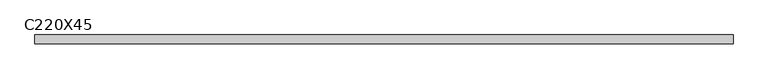
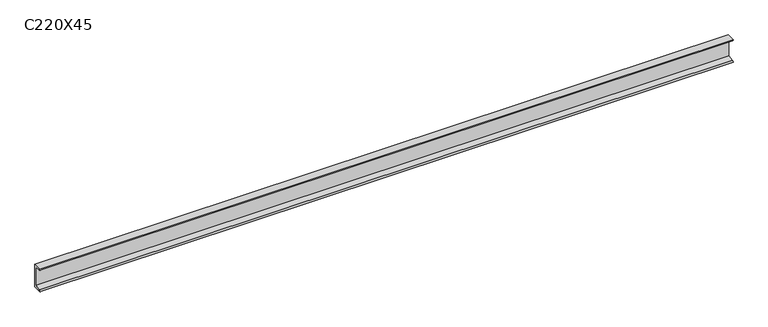
"""IFC4 building model written with IfcOpenShell, lengths in millimetres: beam geometry, C220X45."""

import ifcopenshell
import ifcopenshell.guid

model = None  # the IFC model being written
_history = None  # IfcOwnerHistory: only IFC2X3 demands one
_inside = {}  # id of a spatial element -> (the spatial element, [elements in it])
_under = {}  # id of a project, library or spatial element -> (it, [spatial elements below it])
_declared = {}  # id of a project -> (the project, [libraries it declares])
_typed = {}  # id of a type object -> (the type object, [elements of that type])
_made_of = {}  # id of a material, layer set ... -> (it, [elements and type objects made of it])


def new_model(schema):
    """Start an empty IFC model of exactly this schema.

    Asked for "IFC4X3", IfcOpenShell would pick the latest addendum, in which some entities
    have other attributes; the version numbers below select the first issue.
    IFC2X3 requires an IfcOwnerHistory on every rooted entity: one is made here for all.
    """
    global model, _history
    if schema == "IFC4X3":
        model = ifcopenshell.file(schema_version=(4, 3, 0, 0))
    else:
        model = ifcopenshell.file(schema=schema)
    _inside.clear()
    _under.clear()
    _declared.clear()
    _typed.clear()
    _made_of.clear()
    _history = None
    if model.schema == "IFC2X3":
        org = make("IfcOrganization", Name="unknown")
        user = make(
            "IfcPersonAndOrganization",
            ThePerson=make("IfcPerson", FamilyName="unknown"),
            TheOrganization=org,
        )
        app = make(
            "IfcApplication",
            ApplicationDeveloper=org,
            Version="unknown",
            ApplicationFullName="unknown",
            ApplicationIdentifier="unknown",
        )
        _history = make(
            "IfcOwnerHistory",
            OwningUser=user,
            OwningApplication=app,
            ChangeAction="ADDED",
            CreationDate=0,
        )
    return model


def make(cls, **values):
    """One entity of the class cls with the attributes given. An attribute that is None is left unset."""
    return model.create_entity(
        cls, **{name: value for name, value in values.items() if value is not None}
    )


def rooted(cls, **values):
    """An entity with a GlobalId (a new one), such as an element, a storey or a relation."""
    return make(cls, GlobalId=ifcopenshell.guid.new(), OwnerHistory=_history, **values)


def si_unit(unit_type, name, prefix=None):
    """IfcSIUnit, for example si_unit("LENGTHUNIT", "METRE", prefix="MILLI")."""
    return make("IfcSIUnit", UnitType=unit_type, Prefix=prefix, Name=name)


def assignment(units):
    """IfcUnitAssignment: the units of a project."""
    return None if units is None else make("IfcUnitAssignment", Units=units)


def point(xyz):
    """IfcCartesianPoint."""
    return None if xyz is None else make("IfcCartesianPoint", Coordinates=xyz)


def direction(xyz):
    """IfcDirection."""
    return None if xyz is None else make("IfcDirection", DirectionRatios=xyz)


def frame(location, z_axis=None, x_axis=None):
    """IfcAxis2Placement3D, a coordinate frame: its origin and axes. An axis left out is left unset."""
    return make(
        "IfcAxis2Placement3D",
        Location=point(location),
        Axis=direction(z_axis),
        RefDirection=direction(x_axis),
    )


def frame_2d(location, x_axis=None):
    """IfcAxis2Placement2D, a coordinate frame in the plane: its origin and x axis."""
    return make(
        "IfcAxis2Placement2D", Location=point(location), RefDirection=direction(x_axis)
    )


def origin():
    """The frame at (0, 0, 0) with its axes left unset."""
    return frame((0.0, 0.0, 0.0))


def place(relative_to, where):
    """IfcLocalPlacement: puts the frame where relative to a parent placement (None: the world)."""
    return make(
        "IfcLocalPlacement", PlacementRelTo=relative_to, RelativePlacement=where
    )


def context(
    kind, dimensions, precision=None, world=None, true_north=None, identifier=None
):
    """IfcGeometricRepresentationContext, for example the 3D "Model" context."""
    return make(
        "IfcGeometricRepresentationContext",
        ContextIdentifier=identifier,
        ContextType=kind,
        CoordinateSpaceDimension=dimensions,
        Precision=precision,
        WorldCoordinateSystem=world,
        TrueNorth=true_north,
    )


def project(units=None, contexts=None):
    """IfcProject with its units and contexts."""
    return rooted(
        "IfcProject",
        Name="project",
        RepresentationContexts=contexts,
        UnitsInContext=assignment(units),
    )


def spatial(cls, under=None, at=None, **own):
    """A site, building, storey or space (cls), placed at a placement, below another one or the project."""
    s = rooted(cls, ObjectPlacement=at, **own)
    if under is not None:
        _under.setdefault(under.id(), (under, []))[1].append(s)
    return s


def polyline(points):
    """IfcPolyline through the points."""
    return make("IfcPolyline", Points=[point(p) for p in points])


def circle_curve(where, radius):
    """IfcCircle in the frame where."""
    return make("IfcCircle", Position=where, Radius=radius)


def trimmed(basis, trim1, trim2, sense, master):
    """IfcTrimmedCurve: the piece of a basis curve between two trims."""
    return make(
        "IfcTrimmedCurve",
        BasisCurve=basis,
        Trim1=trim1,
        Trim2=trim2,
        SenseAgreement=sense,
        MasterRepresentation=master,
    )


def segment(curve, same_sense, transition):
    """IfcCompositeCurveSegment."""
    return make(
        "IfcCompositeCurveSegment",
        Transition=transition,
        SameSense=same_sense,
        ParentCurve=curve,
    )


def composite_curve(segments, self_intersect=None):
    """IfcCompositeCurve: segments joined end to end."""
    return make("IfcCompositeCurve", Segments=segments, SelfIntersect=self_intersect)


def outline(outer, holes=None, kind="AREA"):
    """IfcArbitraryClosedProfileDef: a profile drawn as a closed curve; with holes, ...WithVoids."""
    if holes is None:
        return make("IfcArbitraryClosedProfileDef", ProfileType=kind, OuterCurve=outer)
    return make(
        "IfcArbitraryProfileDefWithVoids",
        ProfileType=kind,
        OuterCurve=outer,
        InnerCurves=holes,
    )


def extrude(swept, where, along, depth):
    """IfcExtrudedAreaSolid: the profile swept, set in the frame where, extruded along a direction by depth."""
    return make(
        "IfcExtrudedAreaSolid",
        SweptArea=swept,
        Position=where,
        ExtrudedDirection=direction(along),
        Depth=depth,
    )


def shape(context_of_items, identifier, shape_type, items):
    """IfcShapeRepresentation: the items that make up one representation, for example the "Body"."""
    return make(
        "IfcShapeRepresentation",
        ContextOfItems=context_of_items,
        RepresentationIdentifier=identifier,
        RepresentationType=shape_type,
        Items=items,
    )


def source(mapping_origin, context_of_items, identifier, shape_type, items):
    """IfcRepresentationMap: a shape defined once, which mapped items show again and again."""
    return make(
        "IfcRepresentationMap",
        MappingOrigin=mapping_origin,
        MappedRepresentation=shape(context_of_items, identifier, shape_type, items),
    )


def transform(
    local_origin,
    x_axis=None,
    y_axis=None,
    z_axis=None,
    scale=None,
    scale2=None,
    scale3=None,
    uniform=True,
):
    """IfcCartesianTransformationOperator3D, or its non-uniform kind. x_axis, y_axis, z_axis: its Axis1, 2, 3."""
    if uniform:
        return make(
            "IfcCartesianTransformationOperator3D",
            Axis1=direction(x_axis),
            Axis2=direction(y_axis),
            LocalOrigin=point(local_origin),
            Scale=scale,
            Axis3=direction(z_axis),
        )
    return make(
        "IfcCartesianTransformationOperator3DnonUniform",
        Axis1=direction(x_axis),
        Axis2=direction(y_axis),
        LocalOrigin=point(local_origin),
        Scale=scale,
        Axis3=direction(z_axis),
        Scale2=scale2,
        Scale3=scale3,
    )


def mapped(mapping_source, mapping_target):
    """IfcMappedItem: shows the shape of a source again, moved by a transform."""
    return make(
        "IfcMappedItem", MappingSource=mapping_source, MappingTarget=mapping_target
    )


def made_of(thing, what):
    """Note that an element or type object is made of a material, layer set ...; save() writes the relation."""
    if what is not None:
        _made_of.setdefault(what.id(), (what, []))[1].append(thing)
    return thing


def element(
    cls,
    number,
    at=None,
    inside=None,
    cuts=None,
    type_object=None,
    material=None,
    context=None,
    identifier="Body",
    shape_type=None,
    held_by="IfcProductDefinitionShape",
    body=None,
    shapes=None,
    **own,
):
    """One element of the class cls, such as IfcWall. Its Tag is "e" and its number.

    at: its placement. inside: the storey or other place that contains it. cuts: it is an
    opening in that element (IfcRelVoidsElement). A single representation is given by context,
    identifier, shape_type and body (its items); several are given by shapes. held_by: the class
    of the entity that holds the representations. save() writes the other relations.
    """
    e = rooted(cls, Tag="e%d" % number, ObjectPlacement=at, **own)
    if body is not None:
        shapes = [shape(context, identifier, shape_type, body)]
    if shapes is not None:
        e.Representation = make(held_by, Representations=shapes)
    if inside is not None:
        _inside.setdefault(inside.id(), (inside, []))[1].append(e)
    if cuts is not None:
        rooted(
            "IfcRelVoidsElement", RelatingBuildingElement=cuts, RelatedOpeningElement=e
        )
    if type_object is not None:
        _typed.setdefault(type_object.id(), (type_object, []))[1].append(e)
    return made_of(e, material)


def aggregate(whole, parts):
    """IfcRelAggregates: a whole, such as a stair, and the parts it consists of."""
    return rooted("IfcRelAggregates", RelatingObject=whole, RelatedObjects=parts)


def save(model, path):
    """Write the relations noted so far, then the file.

    IfcRelAggregates (storeys below a building ...), IfcRelContainedInSpatialStructure (elements
    in a storey), IfcRelDefinesByType, IfcRelAssociatesMaterial and IfcRelDeclares: one each for
    every whole, place, type object, material and project.
    """
    for whole, parts in _under.values():
        aggregate(whole, parts)
    for where, things in _inside.values():
        rooted(
            "IfcRelContainedInSpatialStructure",
            RelatedElements=things,
            RelatingStructure=where,
        )
    for kind, things in _typed.values():
        rooted("IfcRelDefinesByType", RelatedObjects=things, RelatingType=kind)
    for what, things in _made_of.values():
        rooted("IfcRelAssociatesMaterial", RelatedObjects=things, RelatingMaterial=what)
    for by, libraries in _declared.values():
        rooted("IfcRelDeclares", RelatingContext=by, RelatedDefinitions=libraries)
    model.write(path)


def c220x45_0a94675b(model_context):
    return source(origin(), model_context, "Body", "SweptSolid", [
        extrude(outline(composite_curve([segment(polyline([(17.0, 110.0), (17.0, -110.0), (-64.0, -110.0)]), True, "CONTINUOUS"), segment(trimmed(circle_curve(frame_2d((-51.0, -110.0)), 13.0), [point((-64.0, -110.0))], [point((-51.0, -97.0))], False, "CARTESIAN"), True, "CONTINUOUS"), segment(polyline([(-51.0, -97.0), (4.0, -88.2888558), (4.0, 88.2888558), (-51.0, 97.0)]), True, "CONTINUOUS"), segment(trimmed(circle_curve(frame_2d((-51.0, 110.0)), 13.0), [point((-51.0, 97.0))], [point((-64.0, 110.0))], False, "CARTESIAN"), True, "CONTINUOUS"), segment(polyline([(-64.0, 110.0), (17.0, 110.0)]), True, "CONTINUOUS")], self_intersect=False)), frame((-3228.0, 0.0, 0.0), z_axis=(1.0, 0.0, 0.0), x_axis=(0.0, 1.0, 0.0)), (0.0, 0.0, 1.0), 6456.0),
    ])


if __name__ == "__main__":
    model = new_model("IFC4")
    model_context = context("Model", 3, world=origin())
    ifc_project = project(units=[si_unit("LENGTHUNIT", "METRE", prefix="MILLI")], contexts=[model_context])
    site = spatial("IfcSite", under=ifc_project)
    building = spatial("IfcBuilding", under=site)
    placement = place(None, origin())
    c220x45_shape = c220x45_0a94675b(model_context)
    element("IfcBeam", 1, ObjectType="C220X45", at=placement, inside=building, context=model_context, shape_type="MappedRepresentation", body=[
        mapped(c220x45_shape, transform((0.0, 0.0, 0.0), x_axis=(1.0, 0.0, 0.0), y_axis=(0.0, 1.0, 0.0), z_axis=(0.0, 0.0, 1.0))),
    ])
    save(model, "model.ifc")
